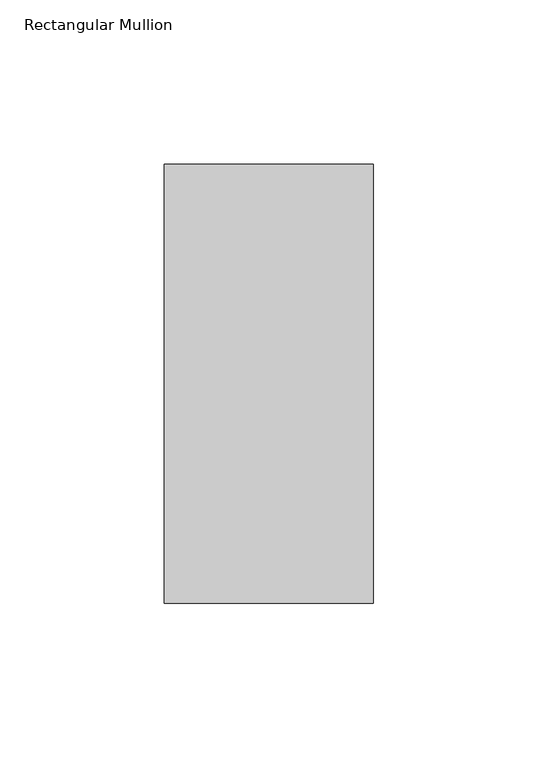
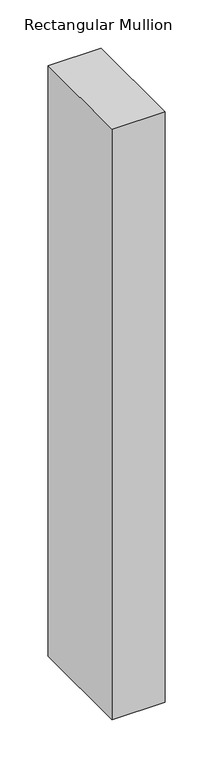
"""IFC4 building model written with IfcOpenShell, lengths in millimetres: member geometry, Rectangular Mullion."""

from ifc_helpers import new_model, si_unit, frame, origin, place, context, project, spatial, polyline, outline, extrude, source, transform, mapped, element, save


def rectangular_mullion_13b7bfb7(model_context):
    return source(origin(), model_context, "Body", "SweptSolid", [
        extrude(outline(polyline([(31.75, 192.88125), (31.75, 59.53125), (-31.75, 59.53125), (-31.75, 192.88125), (31.75, 192.88125)])), frame((0.0, 0.0, -749.3), z_axis=(0.0, 0.0, 1.0), x_axis=(1.0, 0.0, 0.0)), (0.0, 0.0, 1.0), 749.3),
    ])


if __name__ == "__main__":
    model = new_model("IFC4")
    model_context = context("Model", 3, world=origin())
    ifc_project = project(units=[si_unit("LENGTHUNIT", "METRE", prefix="MILLI")], contexts=[model_context])
    site = spatial("IfcSite", under=ifc_project)
    building = spatial("IfcBuilding", under=site)
    placement = place(None, origin())
    rectangular_mullion_shape = rectangular_mullion_13b7bfb7(model_context)
    element("IfcMember", 1, ObjectType="Rectangular Mullion", at=placement, inside=building, context=model_context, shape_type="MappedRepresentation", body=[
        mapped(rectangular_mullion_shape, transform((0.0, 0.0, 0.0), x_axis=(1.0, 0.0, 0.0), y_axis=(0.0, 1.0, 0.0), z_axis=(0.0, 0.0, 1.0))),
    ])
    save(model, "model.ifc")
